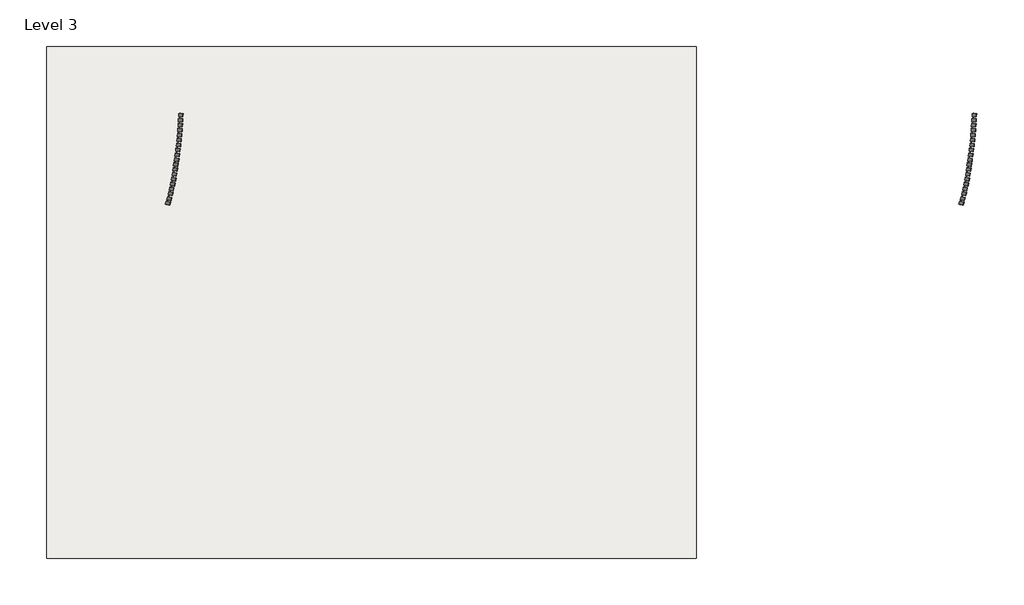
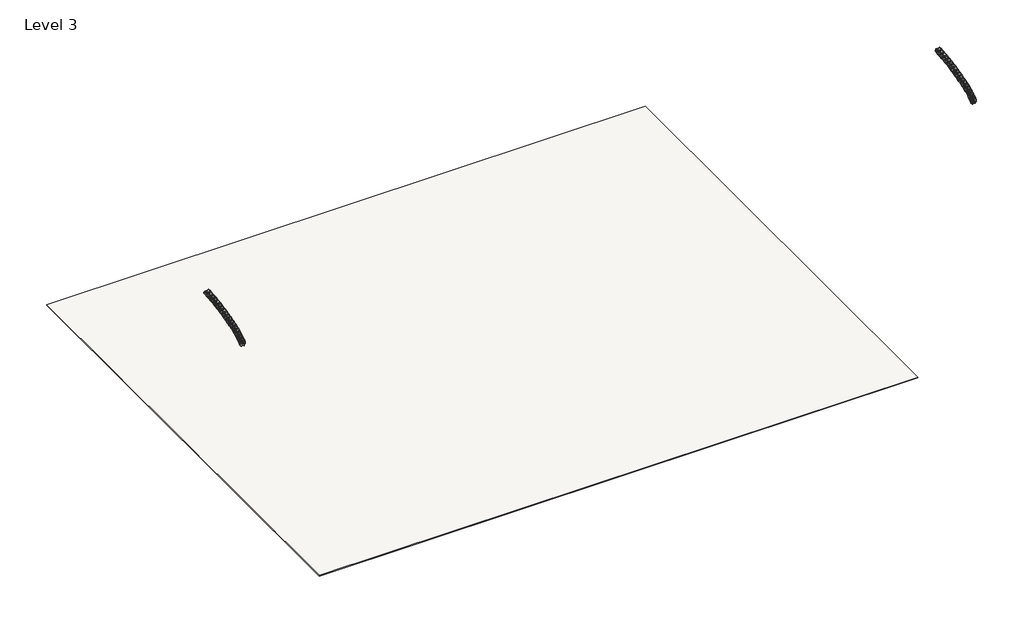
# One storey: 38 plates, 1 slab.
"""IFC4 building model written with IfcOpenShell, lengths in millimetres."""

import ifcopenshell
import ifcopenshell.guid

model = None  # the IFC model being written
_history = None  # IfcOwnerHistory: only IFC2X3 demands one
_inside = {}  # id of a spatial element -> (the spatial element, [elements in it])
_under = {}  # id of a project, library or spatial element -> (it, [spatial elements below it])
_declared = {}  # id of a project -> (the project, [libraries it declares])
_typed = {}  # id of a type object -> (the type object, [elements of that type])
_made_of = {}  # id of a material, layer set ... -> (it, [elements and type objects made of it])


def new_model(schema):
    """Start an empty IFC model of exactly this schema.

    Asked for "IFC4X3", IfcOpenShell would pick the latest addendum, in which some entities
    have other attributes; the version numbers below select the first issue.
    IFC2X3 requires an IfcOwnerHistory on every rooted entity: one is made here for all.
    """
    global model, _history
    if schema == "IFC4X3":
        model = ifcopenshell.file(schema_version=(4, 3, 0, 0))
    else:
        model = ifcopenshell.file(schema=schema)
    _inside.clear()
    _under.clear()
    _declared.clear()
    _typed.clear()
    _made_of.clear()
    _history = None
    if model.schema == "IFC2X3":
        org = make("IfcOrganization", Name="unknown")
        user = make(
            "IfcPersonAndOrganization",
            ThePerson=make("IfcPerson", FamilyName="unknown"),
            TheOrganization=org,
        )
        app = make(
            "IfcApplication",
            ApplicationDeveloper=org,
            Version="unknown",
            ApplicationFullName="unknown",
            ApplicationIdentifier="unknown",
        )
        _history = make(
            "IfcOwnerHistory",
            OwningUser=user,
            OwningApplication=app,
            ChangeAction="ADDED",
            CreationDate=0,
        )
    return model


def make(cls, **values):
    """One entity of the class cls with the attributes given. An attribute that is None is left unset."""
    return model.create_entity(
        cls, **{name: value for name, value in values.items() if value is not None}
    )


def rooted(cls, **values):
    """An entity with a GlobalId (a new one), such as an element, a storey or a relation."""
    return make(cls, GlobalId=ifcopenshell.guid.new(), OwnerHistory=_history, **values)


def si_unit(unit_type, name, prefix=None):
    """IfcSIUnit, for example si_unit("LENGTHUNIT", "METRE", prefix="MILLI")."""
    return make("IfcSIUnit", UnitType=unit_type, Prefix=prefix, Name=name)


def assignment(units):
    """IfcUnitAssignment: the units of a project."""
    return None if units is None else make("IfcUnitAssignment", Units=units)


def point(xyz):
    """IfcCartesianPoint."""
    return None if xyz is None else make("IfcCartesianPoint", Coordinates=xyz)


def direction(xyz):
    """IfcDirection."""
    return None if xyz is None else make("IfcDirection", DirectionRatios=xyz)


def frame(location, z_axis=None, x_axis=None):
    """IfcAxis2Placement3D, a coordinate frame: its origin and axes. An axis left out is left unset."""
    return make(
        "IfcAxis2Placement3D",
        Location=point(location),
        Axis=direction(z_axis),
        RefDirection=direction(x_axis),
    )


def frame_2d(location, x_axis=None):
    """IfcAxis2Placement2D, a coordinate frame in the plane: its origin and x axis."""
    return make(
        "IfcAxis2Placement2D", Location=point(location), RefDirection=direction(x_axis)
    )


def origin():
    """The frame at (0, 0, 0) with its axes left unset."""
    return frame((0.0, 0.0, 0.0))


def place(relative_to, where):
    """IfcLocalPlacement: puts the frame where relative to a parent placement (None: the world)."""
    return make(
        "IfcLocalPlacement", PlacementRelTo=relative_to, RelativePlacement=where
    )


def context(
    kind, dimensions, precision=None, world=None, true_north=None, identifier=None
):
    """IfcGeometricRepresentationContext, for example the 3D "Model" context."""
    return make(
        "IfcGeometricRepresentationContext",
        ContextIdentifier=identifier,
        ContextType=kind,
        CoordinateSpaceDimension=dimensions,
        Precision=precision,
        WorldCoordinateSystem=world,
        TrueNorth=true_north,
    )


def project(units=None, contexts=None):
    """IfcProject with its units and contexts."""
    return rooted(
        "IfcProject",
        Name="project",
        RepresentationContexts=contexts,
        UnitsInContext=assignment(units),
    )


def spatial(cls, under=None, at=None, **own):
    """A site, building, storey or space (cls), placed at a placement, below another one or the project."""
    s = rooted(cls, ObjectPlacement=at, **own)
    if under is not None:
        _under.setdefault(under.id(), (under, []))[1].append(s)
    return s


def polyline(points):
    """IfcPolyline through the points."""
    return make("IfcPolyline", Points=[point(p) for p in points])


def circle_curve(where, radius):
    """IfcCircle in the frame where."""
    return make("IfcCircle", Position=where, Radius=radius)


def trimmed(basis, trim1, trim2, sense, master):
    """IfcTrimmedCurve: the piece of a basis curve between two trims."""
    return make(
        "IfcTrimmedCurve",
        BasisCurve=basis,
        Trim1=trim1,
        Trim2=trim2,
        SenseAgreement=sense,
        MasterRepresentation=master,
    )


def segment(curve, same_sense, transition):
    """IfcCompositeCurveSegment."""
    return make(
        "IfcCompositeCurveSegment",
        Transition=transition,
        SameSense=same_sense,
        ParentCurve=curve,
    )


def composite_curve(segments, self_intersect=None):
    """IfcCompositeCurve: segments joined end to end."""
    return make("IfcCompositeCurve", Segments=segments, SelfIntersect=self_intersect)


def outline(outer, holes=None, kind="AREA"):
    """IfcArbitraryClosedProfileDef: a profile drawn as a closed curve; with holes, ...WithVoids."""
    if holes is None:
        return make("IfcArbitraryClosedProfileDef", ProfileType=kind, OuterCurve=outer)
    return make(
        "IfcArbitraryProfileDefWithVoids",
        ProfileType=kind,
        OuterCurve=outer,
        InnerCurves=holes,
    )


def extrude(swept, where, along, depth):
    """IfcExtrudedAreaSolid: the profile swept, set in the frame where, extruded along a direction by depth."""
    return make(
        "IfcExtrudedAreaSolid",
        SweptArea=swept,
        Position=where,
        ExtrudedDirection=direction(along),
        Depth=depth,
    )


def shape(context_of_items, identifier, shape_type, items):
    """IfcShapeRepresentation: the items that make up one representation, for example the "Body"."""
    return make(
        "IfcShapeRepresentation",
        ContextOfItems=context_of_items,
        RepresentationIdentifier=identifier,
        RepresentationType=shape_type,
        Items=items,
    )


def source(mapping_origin, context_of_items, identifier, shape_type, items):
    """IfcRepresentationMap: a shape defined once, which mapped items show again and again."""
    return make(
        "IfcRepresentationMap",
        MappingOrigin=mapping_origin,
        MappedRepresentation=shape(context_of_items, identifier, shape_type, items),
    )


def transform(
    local_origin,
    x_axis=None,
    y_axis=None,
    z_axis=None,
    scale=None,
    scale2=None,
    scale3=None,
    uniform=True,
):
    """IfcCartesianTransformationOperator3D, or its non-uniform kind. x_axis, y_axis, z_axis: its Axis1, 2, 3."""
    if uniform:
        return make(
            "IfcCartesianTransformationOperator3D",
            Axis1=direction(x_axis),
            Axis2=direction(y_axis),
            LocalOrigin=point(local_origin),
            Scale=scale,
            Axis3=direction(z_axis),
        )
    return make(
        "IfcCartesianTransformationOperator3DnonUniform",
        Axis1=direction(x_axis),
        Axis2=direction(y_axis),
        LocalOrigin=point(local_origin),
        Scale=scale,
        Axis3=direction(z_axis),
        Scale2=scale2,
        Scale3=scale3,
    )


def mapped(mapping_source, mapping_target):
    """IfcMappedItem: shows the shape of a source again, moved by a transform."""
    return make(
        "IfcMappedItem", MappingSource=mapping_source, MappingTarget=mapping_target
    )


def made_of(thing, what):
    """Note that an element or type object is made of a material, layer set ...; save() writes the relation."""
    if what is not None:
        _made_of.setdefault(what.id(), (what, []))[1].append(thing)
    return thing


def element(
    cls,
    number,
    at=None,
    inside=None,
    cuts=None,
    type_object=None,
    material=None,
    context=None,
    identifier="Body",
    shape_type=None,
    held_by="IfcProductDefinitionShape",
    body=None,
    shapes=None,
    **own,
):
    """One element of the class cls, such as IfcWall. Its Tag is "e" and its number.

    at: its placement. inside: the storey or other place that contains it. cuts: it is an
    opening in that element (IfcRelVoidsElement). A single representation is given by context,
    identifier, shape_type and body (its items); several are given by shapes. held_by: the class
    of the entity that holds the representations. save() writes the other relations.
    """
    e = rooted(cls, Tag="e%d" % number, ObjectPlacement=at, **own)
    if body is not None:
        shapes = [shape(context, identifier, shape_type, body)]
    if shapes is not None:
        e.Representation = make(held_by, Representations=shapes)
    if inside is not None:
        _inside.setdefault(inside.id(), (inside, []))[1].append(e)
    if cuts is not None:
        rooted(
            "IfcRelVoidsElement", RelatingBuildingElement=cuts, RelatedOpeningElement=e
        )
    if type_object is not None:
        _typed.setdefault(type_object.id(), (type_object, []))[1].append(e)
    return made_of(e, material)


def aggregate(whole, parts):
    """IfcRelAggregates: a whole, such as a stair, and the parts it consists of."""
    return rooted("IfcRelAggregates", RelatingObject=whole, RelatedObjects=parts)


def save(model, path):
    """Write the relations noted so far, then the file.

    IfcRelAggregates (storeys below a building ...), IfcRelContainedInSpatialStructure (elements
    in a storey), IfcRelDefinesByType, IfcRelAssociatesMaterial and IfcRelDeclares: one each for
    every whole, place, type object, material and project.
    """
    for whole, parts in _under.values():
        aggregate(whole, parts)
    for where, things in _inside.values():
        rooted(
            "IfcRelContainedInSpatialStructure",
            RelatedElements=things,
            RelatingStructure=where,
        )
    for kind, things in _typed.values():
        rooted("IfcRelDefinesByType", RelatedObjects=things, RelatingType=kind)
    for what, things in _made_of.values():
        rooted("IfcRelAssociatesMaterial", RelatedObjects=things, RelatingMaterial=what)
    for by, libraries in _declared.values():
        rooted("IfcRelDeclares", RelatingContext=by, RelatedDefinitions=libraries)
    model.write(path)


def family2_family2_cc7ed448(model_context):
    return source(origin(), model_context, "Body", "SweptSolid", [
        extrude(outline(composite_curve([segment(trimmed(circle_curve(frame_2d((-490.0, 316.2125)), 40.0), [point((-530.0, 316.2125))], [point((-484.9919297, 355.897752))], False, "CARTESIAN"), True, "CONTINUOUS"), segment(trimmed(circle_curve(frame_2d((-916.0987439, -3060.3047823)), 3443.2967983), [point((-484.9919297, 355.897752))], [point((98.7261505, 230.04828))], False, "CARTESIAN"), True, "CONTINUOUS"), segment(trimmed(circle_curve(frame_2d((91.0174991, 206.2664236)), 25.0), [point((98.7261505, 230.04828))], [point((114.7993554, 198.5577722))], False, "CARTESIAN"), True, "CONTINUOUS"), segment(polyline([(114.7993554, 198.5577722), (54.1861181, 11.5606926), (-530.0, 130.1522428), (-530.0, 316.2125)]), True, "CONTINUOUS")], self_intersect=False)), frame((-255.0, 0.0, 0.0), z_axis=(1.0, 0.0, 0.0), x_axis=(0.0, 1.0, 0.0)), (0.0, 0.0, 1.0), 510.0),
        extrude(outline(composite_curve([segment(trimmed(circle_curve(frame_2d((109.1484902, 3.472842)), 3.0), [point((112.002313, 2.5478038))], [point((108.5516924, 0.5328025))], False, "CARTESIAN"), True, "CONTINUOUS"), segment(polyline([(108.5516924, 0.5328025), (55.1748035, 11.3677631), (115.7506297, 198.2494261)]), True, "CONTINUOUS"), segment(trimmed(circle_curve(frame_2d((91.0174991, 206.2664236)), 26.0), [point((115.7506297, 198.2494261))], [point((99.0344966, 230.9995542))], True, "CARTESIAN"), True, "CONTINUOUS"), segment(polyline([(99.0344966, 230.9995542), (38.502442, 248.0835035)]), True, "CONTINUOUS"), segment(trimmed(circle_curve(frame_2d((39.3173, 250.9707178)), 3.0), [point((38.502442, 248.0835035))], [point((36.3317301, 251.2646102))], False, "CARTESIAN"), True, "CONTINUOUS"), segment(trimmed(circle_curve(frame_2d((1108.3860869, 145.7341311)), 1077.2359194), [point((36.3317301, 251.2646102))], [point((176.7329722, 686.5295636))], False, "CARTESIAN"), True, "CONTINUOUS"), segment(trimmed(circle_curve(frame_2d((181.0572483, 684.0194568)), 5.0), [point((176.7329722, 686.5295636))], [point((182.5989786, 688.7758281))], False, "CARTESIAN"), True, "CONTINUOUS"), segment(polyline([(182.5989786, 688.7758281), (315.2436287, 645.7803884)]), True, "CONTINUOUS"), segment(trimmed(circle_curve(frame_2d((313.7018984, 641.0240171)), 5.0), [point((315.2436287, 645.7803884))], [point((318.4582697, 639.4822868))], False, "CARTESIAN"), True, "CONTINUOUS"), segment(polyline([(318.4582697, 639.4822868), (112.002313, 2.5478038)]), True, "CONTINUOUS")], self_intersect=False)), frame((-255.0, 0.0, 0.0), z_axis=(1.0, 0.0, 0.0), x_axis=(0.0, 1.0, 0.0)), (0.0, 0.0, 1.0), 510.0),
        extrude(outline(polyline([(-381.8626273, 490.0), (268.7911538, 490.0), (268.7911538, 370.0), (-282.4571996, 370.0), (-282.4571996, 0.0), (-381.8626273, 0.0), (-381.8626273, 490.0)])), frame((255.0, 0.0, 0.0), z_axis=(1.0, 0.0, 0.0), x_axis=(0.0, 1.0, 0.0)), (0.0, 0.0, 1.0), 66.0),
        extrude(outline(polyline([(-381.8626273, 490.0), (268.7911538, 490.0), (268.7911538, 370.0), (-282.4571996, 370.0), (-282.4571996, 0.0), (-381.8626273, 0.0), (-381.8626273, 490.0)])), frame((-320.0, 0.0, 0.0), z_axis=(1.0, 0.0, 0.0), x_axis=(0.0, 1.0, 0.0)), (0.0, 0.0, 1.0), 66.0),
    ])


model = new_model("IFC4")

# Units and contexts
model_context = context("Model", 3, world=origin())
ifc_project = project(units=[si_unit("LENGTHUNIT", "METRE", prefix="MILLI")], contexts=[model_context])

# Site, building, storey
site = spatial("IfcSite", under=ifc_project)
building = spatial("IfcBuilding", under=site)
storey = spatial("IfcBuildingStorey", under=building, Name="Level 3", Elevation=4300.0)

# Plates
placement = place(None, origin())
family2_family2_shape = family2_family2_cc7ed448(model_context)
element("IfcPlate", 1, ObjectType="Family2 : Family2", at=placement, inside=storey, context=model_context, shape_type="MappedRepresentation", body=[
    mapped(family2_family2_shape, transform((-24195.8757799, 20906.0757477, 5300.0), x_axis=(-0.04040091320254068, -0.9991835498107446, 0.0), y_axis=(0.9991835498107446, -0.04040091320254068, 0.0), z_axis=(0.0, 0.0, 1.0))),
])
element("IfcPlate", 2, ObjectType="Family2 : Family2", at=placement, inside=storey, context=model_context, shape_type="MappedRepresentation", body=[
    mapped(family2_family2_shape, transform((-24232.9833327, 20106.9511852, 5300.0), x_axis=(-0.05236796879856081, -0.9986278565331096, 0.0), y_axis=(0.9986278565331096, -0.05236796879856081, 0.0), z_axis=(0.0, 0.0, 1.0))),
])
element("IfcPlate", 3, ObjectType="Family2 : Family2", at=placement, inside=storey, context=model_context, shape_type="MappedRepresentation", body=[
    mapped(family2_family2_shape, transform((-24279.6615237, 19308.3285062, 5300.0), x_axis=(-0.06432750858482754, -0.9979288409697703, 0.0), y_axis=(0.9979288409697703, -0.06432750858482754, 0.0), z_axis=(0.0, 0.0, 1.0))),
])
element("IfcPlate", 4, ObjectType="Family2 : Family2", at=placement, inside=storey, context=model_context, shape_type="MappedRepresentation", body=[
    mapped(family2_family2_shape, transform((-24335.9036536, 18510.3223284, 5300.0), x_axis=(-0.07627781613758737, -0.9970866034428908, 0.0), y_axis=(0.9970866034428908, -0.07627781613758737, 0.0), z_axis=(0.0, 0.0, 1.0))),
])
element("IfcPlate", 5, ObjectType="Family2 : Family2", at=placement, inside=storey, context=model_context, shape_type="MappedRepresentation", body=[
    mapped(family2_family2_shape, transform((-24401.7016505, 17713.0471811, 5300.0), x_axis=(-0.08821717635807333, -0.9961012648297404, 0.0), y_axis=(0.9961012648297404, -0.08821717635807333, 0.0), z_axis=(0.0, 0.0, 1.0))),
])
element("IfcPlate", 6, ObjectType="Family2 : Family2", at=placement, inside=storey, context=model_context, shape_type="MappedRepresentation", body=[
    mapped(family2_family2_shape, transform((-24477.0460714, 16916.6174886, 5300.0), x_axis=(-0.10014387571870506, -0.9949729665453412, 0.0), y_axis=(0.9949729665453412, -0.10014387571870506, 0.0), z_axis=(0.0, 0.0, 1.0))),
])
element("IfcPlate", 7, ObjectType="Family2 : Family2", at=placement, inside=storey, context=model_context, shape_type="MappedRepresentation", body=[
    mapped(family2_family2_shape, transform((-24561.9261027, 16121.1475537, 5300.0), x_axis=(-0.11205620250890871, -0.9937018705221816, 0.0), y_axis=(0.9937018705221816, -0.11205620250890871, 0.0), z_axis=(0.0, 0.0, 1.0))),
])
element("IfcPlate", 8, ObjectType="Family2 : Family2", at=placement, inside=storey, context=model_context, shape_type="MappedRepresentation", body=[
    mapped(family2_family2_shape, transform((-24656.3295625, 15326.7515419, 5300.0), x_axis=(-0.12395244708095163, -0.9922881591869591, 0.0), y_axis=(0.9922881591869591, -0.12395244708095163, 0.0), z_axis=(0.0, 0.0, 1.0))),
])
element("IfcPlate", 9, ObjectType="Family2 : Family2", at=placement, inside=storey, context=model_context, shape_type="MappedRepresentation", body=[
    mapped(family2_family2_shape, transform((-24760.2429022, 14533.543464, 5300.0), x_axis=(-0.13583090209514445, -0.9907320354344152, 0.0), y_axis=(0.9907320354344152, -0.13583090209514445, 0.0), z_axis=(0.0, 0.0, 1.0))),
])
element("IfcPlate", 10, ObjectType="Family2 : Family2", at=placement, inside=storey, context=model_context, shape_type="MappedRepresentation", body=[
    mapped(family2_family2_shape, transform((-24873.6512081, 13741.6371608, 5300.0), x_axis=(-0.14768986276493057, -0.9890337225982115, 0.0), y_axis=(0.9890337225982115, -0.14768986276493057, 0.0), z_axis=(0.0, 0.0, 1.0))),
])
element("IfcPlate", 11, ObjectType="Family2 : Family2", at=placement, inside=storey, context=model_context, shape_type="MappedRepresentation", body=[
    mapped(family2_family2_shape, transform((-25101.8598825, 12212.5202151, 5300.0), x_axis=(-0.12597556106664135, -0.9920333452127227, 0.0), y_axis=(0.9920333452127227, -0.12597556106664135, 0.0), z_axis=(0.0, 0.0, 1.0))),
])
element("IfcPlate", 12, ObjectType="Family2 : Family2", at=placement, inside=storey, context=model_context, shape_type="MappedRepresentation", body=[
    mapped(family2_family2_shape, transform((-25212.1698739, 11420.220314, 5300.0), x_axis=(-0.14979941730189517, -0.988716407558817, 0.0), y_axis=(0.988716407558817, -0.14979941730189517, 0.0), z_axis=(0.0, 0.0, 1.0))),
])
element("IfcPlate", 13, ObjectType="Family2 : Family2", at=placement, inside=storey, context=model_context, shape_type="MappedRepresentation", body=[
    mapped(family2_family2_shape, transform((-25341.5042819, 10630.8027829, 5300.0), x_axis=(-0.17353660285975783, -0.9848274201442072, 0.0), y_axis=(0.9848274201442072, -0.17353660285975783, 0.0), z_axis=(0.0, 0.0, 1.0))),
])
element("IfcPlate", 14, ObjectType="Family2 : Family2", at=placement, inside=storey, context=model_context, shape_type="MappedRepresentation", body=[
    mapped(family2_family2_shape, transform((-25489.7882767, 9844.7243617, 5300.0), x_axis=(-0.19717338392206982, -0.9803686330522413, 0.0), y_axis=(0.9803686330522413, -0.19717338392206982, 0.0), z_axis=(0.0, 0.0, 1.0))),
])
element("IfcPlate", 15, ObjectType="Family2 : Family2", at=placement, inside=storey, context=model_context, shape_type="MappedRepresentation", body=[
    mapped(family2_family2_shape, transform((-25656.9360641, 9062.439858, 5300.0), x_axis=(-0.22069608476256863, -0.9753426260399334, 0.0), y_axis=(0.9753426260399334, -0.22069608476256863, 0.0), z_axis=(0.0, 0.0, 1.0))),
])
element("IfcPlate", 16, ObjectType="Family2 : Family2", at=placement, inside=storey, context=model_context, shape_type="MappedRepresentation", body=[
    mapped(family2_family2_shape, transform((-25842.8509363, 8284.4018848, 5300.0), x_axis=(-0.24409109565930326, -0.9697523070453821, 0.0), y_axis=(0.9697523070453821, -0.24409109565930326, 0.0), z_axis=(0.0, 0.0, 1.0))),
])
element("IfcPlate", 17, ObjectType="Family2 : Family2", at=placement, inside=storey, context=model_context, shape_type="MappedRepresentation", body=[
    mapped(family2_family2_shape, transform((-26047.4253269, 7511.0605978, 5300.0), x_axis=(-0.26734488076895413, -0.9636009105052952, 0.0), y_axis=(0.9636009105052952, -0.26734488076895413, 0.0), z_axis=(0.0, 0.0, 1.0))),
])
element("IfcPlate", 18, ObjectType="Family2 : Family2", at=placement, inside=storey, context=model_context, shape_type="MappedRepresentation", body=[
    mapped(family2_family2_shape, transform((102804.1242201, 20906.0757477, 5300.0), x_axis=(-0.04040091320255149, -0.9991835498107442, 0.0), y_axis=(0.9991835498107442, -0.04040091320255149, 0.0), z_axis=(0.0, 0.0, 1.0))),
])
element("IfcPlate", 19, ObjectType="Family2 : Family2", at=placement, inside=storey, context=model_context, shape_type="MappedRepresentation", body=[
    mapped(family2_family2_shape, transform((102767.0166673, 20106.9511852, 5300.0), x_axis=(-0.05236796879856081, -0.9986278565331096, 0.0), y_axis=(0.9986278565331096, -0.05236796879856081, 0.0), z_axis=(0.0, 0.0, 1.0))),
])
element("IfcPlate", 20, ObjectType="Family2 : Family2", at=placement, inside=storey, context=model_context, shape_type="MappedRepresentation", body=[
    mapped(family2_family2_shape, transform((102720.3384763, 19308.3285062, 5300.0), x_axis=(-0.06432750858483832, -0.9979288409697695, 0.0), y_axis=(0.9979288409697695, -0.06432750858483832, 0.0), z_axis=(0.0, 0.0, 1.0))),
])
element("IfcPlate", 21, ObjectType="Family2 : Family2", at=placement, inside=storey, context=model_context, shape_type="MappedRepresentation", body=[
    mapped(family2_family2_shape, transform((102664.0963464, 18510.3223284, 5300.0), x_axis=(-0.07627781613756585, -0.9970866034428925, 0.0), y_axis=(0.9970866034428925, -0.07627781613756585, 0.0), z_axis=(0.0, 0.0, 1.0))),
])
element("IfcPlate", 22, ObjectType="Family2 : Family2", at=placement, inside=storey, context=model_context, shape_type="MappedRepresentation", body=[
    mapped(family2_family2_shape, transform((102598.2983495, 17713.0471811, 5300.0), x_axis=(-0.08821717635807333, -0.9961012648297404, 0.0), y_axis=(0.9961012648297404, -0.08821717635807333, 0.0), z_axis=(0.0, 0.0, 1.0))),
])
element("IfcPlate", 23, ObjectType="Family2 : Family2", at=placement, inside=storey, context=model_context, shape_type="MappedRepresentation", body=[
    mapped(family2_family2_shape, transform((102522.9539286, 16916.6174886, 5300.0), x_axis=(-0.10014387571871579, -0.9949729665453402, 0.0), y_axis=(0.9949729665453402, -0.10014387571871579, 0.0), z_axis=(0.0, 0.0, 1.0))),
])
element("IfcPlate", 24, ObjectType="Family2 : Family2", at=placement, inside=storey, context=model_context, shape_type="MappedRepresentation", body=[
    mapped(family2_family2_shape, transform((102438.0738973, 16121.1475537, 5300.0), x_axis=(-0.112056202508898, -0.9937018705221827, 0.0), y_axis=(0.9937018705221827, -0.112056202508898, 0.0), z_axis=(0.0, 0.0, 1.0))),
])
element("IfcPlate", 25, ObjectType="Family2 : Family2", at=placement, inside=storey, context=model_context, shape_type="MappedRepresentation", body=[
    mapped(family2_family2_shape, transform((102343.6704375, 15326.7515419, 5300.0), x_axis=(-0.12395244708097297, -0.9922881591869566, 0.0), y_axis=(0.9922881591869566, -0.12395244708097297, 0.0), z_axis=(0.0, 0.0, 1.0))),
])
element("IfcPlate", 26, ObjectType="Family2 : Family2", at=placement, inside=storey, context=model_context, shape_type="MappedRepresentation", body=[
    mapped(family2_family2_shape, transform((102239.7570978, 14533.543464, 5300.0), x_axis=(-0.13583090209514445, -0.9907320354344152, 0.0), y_axis=(0.9907320354344152, -0.13583090209514445, 0.0), z_axis=(0.0, 0.0, 1.0))),
])
element("IfcPlate", 27, ObjectType="Family2 : Family2", at=placement, inside=storey, context=model_context, shape_type="MappedRepresentation", body=[
    mapped(family2_family2_shape, transform((102126.3487919, 13741.6371608, 5300.0), x_axis=(-0.14768986276493057, -0.9890337225982115, 0.0), y_axis=(0.9890337225982115, -0.14768986276493057, 0.0), z_axis=(0.0, 0.0, 1.0))),
])
element("IfcPlate", 28, ObjectType="Family2 : Family2", at=placement, inside=storey, context=model_context, shape_type="MappedRepresentation", body=[
    mapped(family2_family2_shape, transform((101898.1401175, 12212.5202151, 5300.0), x_axis=(-0.12597556106664135, -0.9920333452127227, 0.0), y_axis=(0.9920333452127227, -0.12597556106664135, 0.0), z_axis=(0.0, 0.0, 1.0))),
])
element("IfcPlate", 29, ObjectType="Family2 : Family2", at=placement, inside=storey, context=model_context, shape_type="MappedRepresentation", body=[
    mapped(family2_family2_shape, transform((101787.8301261, 11420.220314, 5300.0), x_axis=(-0.14979941730189517, -0.988716407558817, 0.0), y_axis=(0.988716407558817, -0.14979941730189517, 0.0), z_axis=(0.0, 0.0, 1.0))),
])
element("IfcPlate", 30, ObjectType="Family2 : Family2", at=placement, inside=storey, context=model_context, shape_type="MappedRepresentation", body=[
    mapped(family2_family2_shape, transform((101658.4957181, 10630.8027829, 5300.0), x_axis=(-0.17353660285975783, -0.9848274201442072, 0.0), y_axis=(0.9848274201442072, -0.17353660285975783, 0.0), z_axis=(0.0, 0.0, 1.0))),
])
element("IfcPlate", 31, ObjectType="Family2 : Family2", at=placement, inside=storey, context=model_context, shape_type="MappedRepresentation", body=[
    mapped(family2_family2_shape, transform((101510.2117233, 9844.7243617, 5300.0), x_axis=(-0.19717338392207498, -0.9803686330522402, 0.0), y_axis=(0.9803686330522402, -0.19717338392207498, 0.0), z_axis=(0.0, 0.0, 1.0))),
])
element("IfcPlate", 32, ObjectType="Family2 : Family2", at=placement, inside=storey, context=model_context, shape_type="MappedRepresentation", body=[
    mapped(family2_family2_shape, transform((101343.0639359, 9062.439858, 5300.0), x_axis=(-0.22069608476256863, -0.9753426260399334, 0.0), y_axis=(0.9753426260399334, -0.22069608476256863, 0.0), z_axis=(0.0, 0.0, 1.0))),
])
element("IfcPlate", 33, ObjectType="Family2 : Family2", at=placement, inside=storey, context=model_context, shape_type="MappedRepresentation", body=[
    mapped(family2_family2_shape, transform((101157.1490637, 8284.4018848, 5300.0), x_axis=(-0.24409109565931345, -0.9697523070453795, 0.0), y_axis=(0.9697523070453795, -0.24409109565931345, 0.0), z_axis=(0.0, 0.0, 1.0))),
])
element("IfcPlate", 34, ObjectType="Family2 : Family2", at=placement, inside=storey, context=model_context, shape_type="MappedRepresentation", body=[
    mapped(family2_family2_shape, transform((100952.5746731, 7511.0605978, 5300.0), x_axis=(-0.2673448807689491, -0.9636009105052966, 0.0), y_axis=(0.9636009105052966, -0.2673448807689491, 0.0), z_axis=(0.0, 0.0, 1.0))),
])
element("IfcPlate", 35, ObjectType="Family2 : Family2", at=placement, inside=storey, context=model_context, shape_type="MappedRepresentation", body=[
    mapped(family2_family2_shape, transform((-26259.9174116, 6776.5304751, 5300.0), x_axis=(-0.2894281115631516, -0.9571997535713159, 0.0), y_axis=(0.9571997535713159, -0.2894281115631516, 0.0), z_axis=(0.0, 0.0, 1.0))),
])
element("IfcPlate", 36, ObjectType="Family2 : Family2", at=placement, inside=storey, context=model_context, shape_type="MappedRepresentation", body=[
    mapped(family2_family2_shape, transform((100740.0825884, 6776.5304751, 5300.0), x_axis=(-0.2894281115631462, -0.9571997535713176, 0.0), y_axis=(0.9571997535713176, -0.2894281115631462, 0.0), z_axis=(0.0, 0.0, 1.0))),
])
element("IfcPlate", 37, ObjectType="Family2 : Family2", at=placement, inside=storey, context=model_context, shape_type="MappedRepresentation", body=[
    mapped(family2_family2_shape, transform((-24992.0984057, 12977.6786125, 5300.0), x_axis=(-0.1591299289453097, -0.9872576491037488, 0.0), y_axis=(0.9872576491037488, -0.1591299289453097, 0.0), z_axis=(0.0, 0.0, 1.0))),
])
element("IfcPlate", 38, ObjectType="Family2 : Family2", at=placement, inside=storey, context=model_context, shape_type="MappedRepresentation", body=[
    mapped(family2_family2_shape, transform((102007.9015943, 12977.6786125, 5300.0), x_axis=(-0.1591299289452984, -0.9872576491037506, 0.0), y_axis=(0.9872576491037506, -0.1591299289452984, 0.0), z_axis=(0.0, 0.0, 1.0))),
])

# Slab
element("IfcSlab", 39, ObjectType="Generic 150mm", at=placement, inside=storey, context=model_context, shape_type="SweptSolid", body=[
    extrude(outline(polyline([(58132.1031587, 31910.4488983), (58132.1031587, -50089.5511017), (-45867.8968413, -50089.5511017), (-45867.8968413, 31910.4488983), (58132.1031587, 31910.4488983)])), frame((0.0, 0.0, 4150.0), z_axis=(0.0, 0.0, 1.0), x_axis=(1.0, 0.0, 0.0)), (0.0, 0.0, 1.0), 150.0),
])

save(model, "model.ifc")
